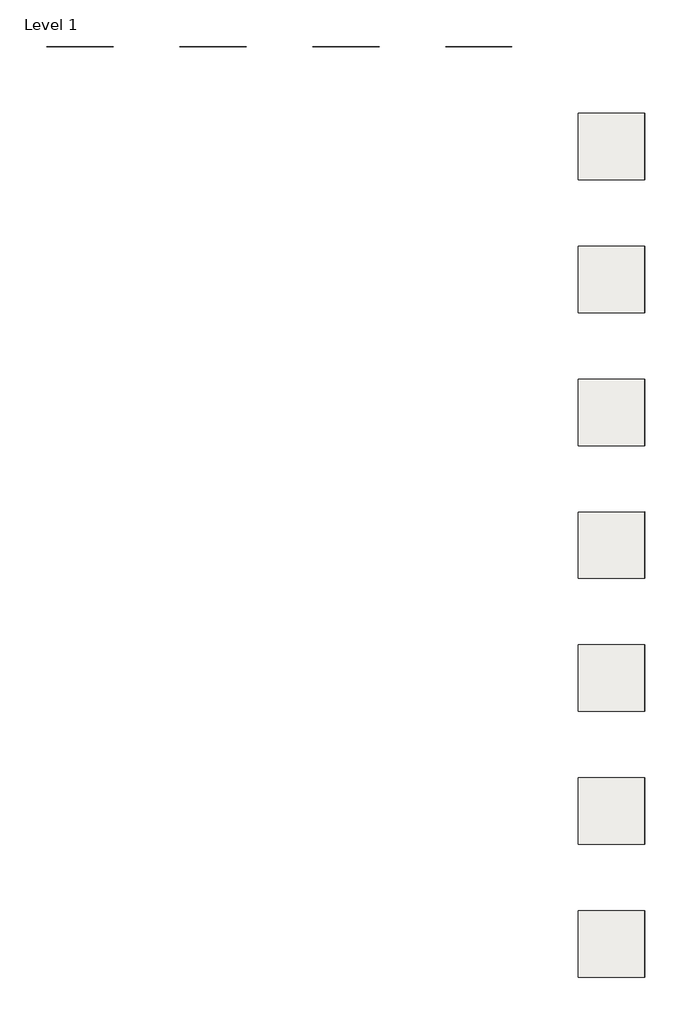
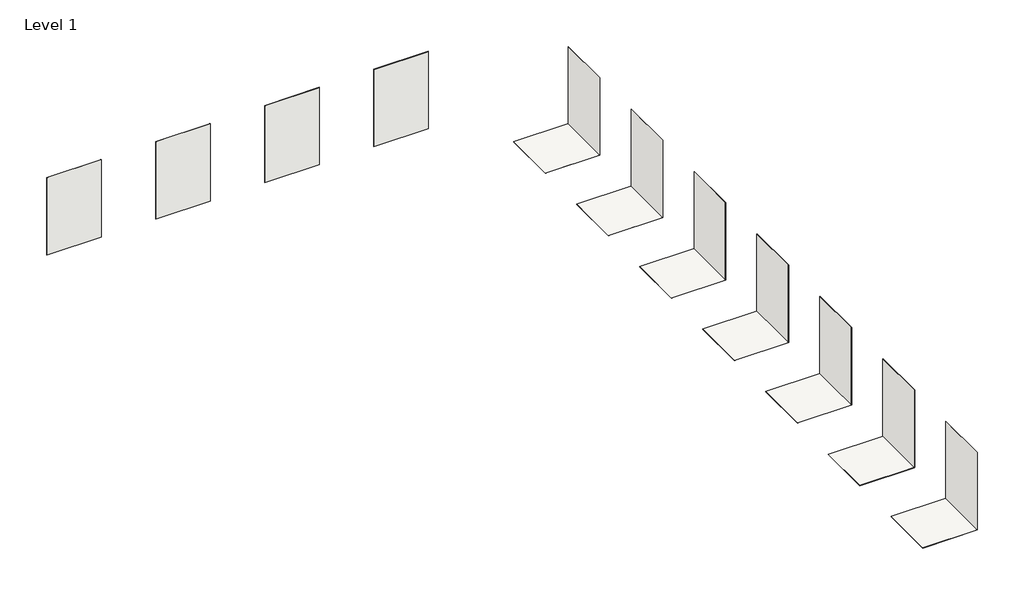
# One storey: 18 coverings.
"""IFC4 building model written with IfcOpenShell, lengths in millimetres."""

from ifc_helpers import new_model, si_unit, frame, origin, origin_with_axes, place, context, project, spatial, polyline, outline, extrude, element, save

model = new_model("IFC4")

# Units and contexts
model_context = context("Model", 3, world=origin())
ifc_project = project(units=[si_unit("LENGTHUNIT", "METRE", prefix="MILLI")], contexts=[model_context])

# Site, building, storey
site = spatial("IfcSite", under=ifc_project)
building = spatial("IfcBuilding", under=site)
storey = spatial("IfcBuildingStorey", under=building, Name="Level 1", Elevation=0.0)

# Coverings
placement = place(None, origin())
element("IfcCovering", 1, at=placement, inside=storey, context=model_context, shape_type="SweptSolid", body=[
    extrude(outline(polyline([(3527.0774266, -4501.9826748), (1527.0774266, -4501.9826748), (1527.0774266, -2501.9826748), (3527.0774266, -2501.9826748), (3527.0774266, -4501.9826748)])), frame((0.0, 0.0, -11.0), z_axis=(0.0, 0.0, 1.0), x_axis=(1.0, 0.0, 0.0)), (0.0, 0.0, 1.0), 11.0),
])
element("IfcCovering", 2, at=placement, inside=storey, context=model_context, shape_type="SweptSolid", body=[
    extrude(outline(polyline([(3516.0774266, -4501.9826748), (3516.0774266, -2501.9826748), (3527.0774266, -2501.9826748), (3527.0774266, -4501.9826748), (3516.0774266, -4501.9826748)])), origin_with_axes(), (0.0, 0.0, 1.0), 3000.0),
])
element("IfcCovering", 3, at=placement, inside=storey, context=model_context, shape_type="SweptSolid", body=[
    extrude(outline(polyline([(3527.0774266, -8501.9826748), (1527.0774266, -8501.9826748), (1527.0774266, -6501.9826748), (3527.0774266, -6501.9826748), (3527.0774266, -8501.9826748)])), frame((0.0, 0.0, -10.0), z_axis=(0.0, 0.0, 1.0), x_axis=(1.0, 0.0, 0.0)), (0.0, 0.0, 1.0), 10.0),
])
element("IfcCovering", 4, at=placement, inside=storey, context=model_context, shape_type="SweptSolid", body=[
    extrude(outline(polyline([(3517.0774266, -8501.9826748), (3517.0774266, -6501.9826748), (3527.0774266, -6501.9826748), (3527.0774266, -8501.9826748), (3517.0774266, -8501.9826748)])), origin_with_axes(), (0.0, 0.0, 1.0), 3000.0),
])
element("IfcCovering", 5, at=placement, inside=storey, context=model_context, shape_type="SweptSolid", body=[
    extrude(outline(polyline([(3527.0774266, -12501.9826748), (1527.0774266, -12501.9826748), (1527.0774266, -10501.9826748), (3527.0774266, -10501.9826748), (3527.0774266, -12501.9826748)])), frame((0.0, 0.0, -10.0), z_axis=(0.0, 0.0, 1.0), x_axis=(1.0, 0.0, 0.0)), (0.0, 0.0, 1.0), 10.0),
])
element("IfcCovering", 6, at=placement, inside=storey, context=model_context, shape_type="SweptSolid", body=[
    extrude(outline(polyline([(3517.0774266, -12501.9826748), (3517.0774266, -10501.9826748), (3527.0774266, -10501.9826748), (3527.0774266, -12501.9826748), (3517.0774266, -12501.9826748)])), origin_with_axes(), (0.0, 0.0, 1.0), 3000.0),
])
element("IfcCovering", 7, at=placement, inside=storey, context=model_context, shape_type="SweptSolid", body=[
    extrude(outline(polyline([(3527.0774266, -16501.9826748), (1527.0774266, -16501.9826748), (1527.0774266, -14501.9826748), (3527.0774266, -14501.9826748), (3527.0774266, -16501.9826748)])), frame((0.0, 0.0, -10.3), z_axis=(0.0, 0.0, 1.0), x_axis=(1.0, 0.0, 0.0)), (0.0, 0.0, 1.0), 10.3),
])
element("IfcCovering", 8, at=placement, inside=storey, context=model_context, shape_type="SweptSolid", body=[
    extrude(outline(polyline([(3516.7774266, -16501.9826748), (3516.7774266, -14501.9826748), (3527.0774266, -14501.9826748), (3527.0774266, -16501.9826748), (3516.7774266, -16501.9826748)])), origin_with_axes(), (0.0, 0.0, 1.0), 3000.0),
])
element("IfcCovering", 9, at=placement, inside=storey, context=model_context, shape_type="SweptSolid", body=[
    extrude(outline(polyline([(3527.0774266, -20501.9826748), (1527.0774266, -20501.9826748), (1527.0774266, -18501.9826748), (3527.0774266, -18501.9826748), (3527.0774266, -20501.9826748)])), frame((0.0, 0.0, -10.3), z_axis=(0.0, 0.0, 1.0), x_axis=(1.0, 0.0, 0.0)), (0.0, 0.0, 1.0), 10.3),
])
element("IfcCovering", 10, at=placement, inside=storey, context=model_context, shape_type="SweptSolid", body=[
    extrude(outline(polyline([(3516.7774266, -20501.9826748), (3516.7774266, -18501.9826748), (3527.0774266, -18501.9826748), (3527.0774266, -20501.9826748), (3516.7774266, -20501.9826748)])), origin_with_axes(), (0.0, 0.0, 1.0), 3000.0),
])
element("IfcCovering", 11, at=placement, inside=storey, context=model_context, shape_type="SweptSolid", body=[
    extrude(outline(polyline([(-472.9225734, -510.9826748), (-2472.9225734, -510.9826748), (-2472.9225734, -501.9826748), (-472.9225734, -501.9826748), (-472.9225734, -510.9826748)])), origin_with_axes(), (0.0, 0.0, 1.0), 3000.0),
])
element("IfcCovering", 12, at=placement, inside=storey, context=model_context, shape_type="SweptSolid", body=[
    extrude(outline(polyline([(-4472.9225734, -511.9826748), (-6472.9225734, -511.9826748), (-6472.9225734, -501.9826748), (-4472.9225734, -501.9826748), (-4472.9225734, -511.9826748)])), origin_with_axes(), (0.0, 0.0, 1.0), 3000.0),
])
element("IfcCovering", 13, at=placement, inside=storey, context=model_context, shape_type="SweptSolid", body=[
    extrude(outline(polyline([(-8472.9225734, -510.9826748), (-10472.9225734, -510.9826748), (-10472.9225734, -501.9826748), (-8472.9225734, -501.9826748), (-8472.9225734, -510.9826748)])), origin_with_axes(), (0.0, 0.0, 1.0), 3000.0),
])
element("IfcCovering", 14, at=placement, inside=storey, context=model_context, shape_type="SweptSolid", body=[
    extrude(outline(polyline([(-12472.9225734, -511.4826748), (-14472.9225734, -511.4826748), (-14472.9225734, -501.9826748), (-12472.9225734, -501.9826748), (-12472.9225734, -511.4826748)])), origin_with_axes(), (0.0, 0.0, 1.0), 3000.0),
])
element("IfcCovering", 15, at=placement, inside=storey, context=model_context, shape_type="SweptSolid", body=[
    extrude(outline(polyline([(3516.7774266, -24501.9826748), (1516.7774266, -24501.9826748), (1516.7774266, -22501.9826748), (3516.7774266, -22501.9826748), (3516.7774266, -24501.9826748)])), frame((0.0, 0.0, -11.0), z_axis=(0.0, 0.0, 1.0), x_axis=(1.0, 0.0, 0.0)), (0.0, 0.0, 1.0), 11.0),
])
element("IfcCovering", 16, at=placement, inside=storey, context=model_context, shape_type="SweptSolid", body=[
    extrude(outline(polyline([(3516.0774266, -24501.9826748), (3516.0774266, -22501.9826748), (3527.0774266, -22501.9826748), (3527.0774266, -24501.9826748), (3516.0774266, -24501.9826748)])), origin_with_axes(), (0.0, 0.0, 1.0), 3000.0),
])
element("IfcCovering", 17, at=placement, inside=storey, context=model_context, shape_type="SweptSolid", body=[
    extrude(outline(polyline([(3527.0774266, -28501.9826748), (1527.0774266, -28501.9826748), (1527.0774266, -26501.9826748), (3527.0774266, -26501.9826748), (3527.0774266, -28501.9826748)])), frame((0.0, 0.0, -11.0), z_axis=(0.0, 0.0, 1.0), x_axis=(1.0, 0.0, 0.0)), (0.0, 0.0, 1.0), 11.0),
])
element("IfcCovering", 18, at=placement, inside=storey, context=model_context, shape_type="SweptSolid", body=[
    extrude(outline(polyline([(3516.0774266, -28501.9826748), (3516.0774266, -26501.9826748), (3527.0774266, -26501.9826748), (3527.0774266, -28501.9826748), (3516.0774266, -28501.9826748)])), origin_with_axes(), (0.0, 0.0, 1.0), 3000.0),
])

save(model, "model.ifc")
